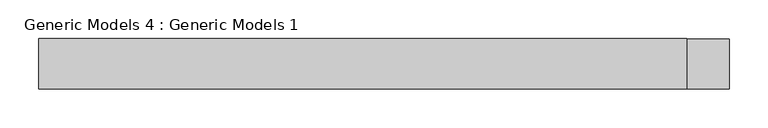
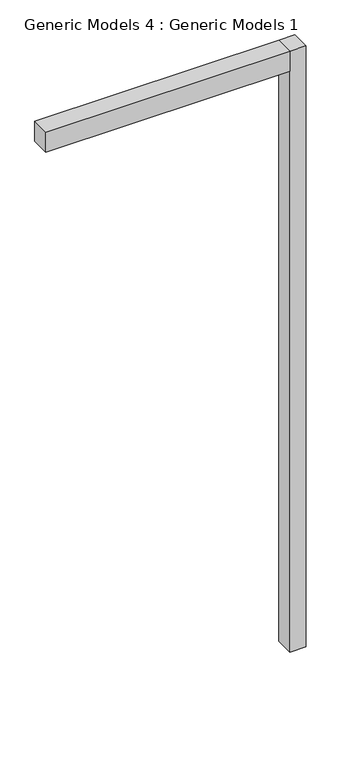
"""IFC4 building model written with IfcOpenShell, lengths in millimetres: proxy geometry, Generic Models 4 : Generic Models 1."""

from ifc_helpers import new_model, si_unit, frame, origin, place, context, project, spatial, polyline, outline, extrude, source, transform, mapped, element, save


def generic_models_4_generic_models_1_36f270b9(model_context):
    return source(origin(), model_context, "Body", "SweptSolid", [
        extrude(outline(polyline([(-52553.1602936, 51927.4705499), (-52553.1602936, 51992.8418357), (-51717.311546, 51992.8418357), (-51717.311546, 51927.4705499), (-52553.1602936, 51927.4705499)])), frame((0.0, 0.0, 109722.8904156), z_axis=(0.0, 0.0, 1.0), x_axis=(1.0, 0.0, 0.0)), (0.0, 0.0, 1.0), 72.5569887),
        extrude(outline(polyline([(-51717.311546, 51927.4705499), (-51717.311546, 51992.4705499), (-51662.3098223, 51992.4705499), (-51662.3098223, 51927.4705499), (-51717.311546, 51927.4705499)])), frame((0.0, 0.0, 107622.0522686), z_axis=(0.0, 0.0, 1.0), x_axis=(1.0, 0.0, 0.0)), (0.0, 0.0, 1.0), 2173.3951357),
    ])


if __name__ == "__main__":
    model = new_model("IFC4")
    model_context = context("Model", 3, world=origin())
    ifc_project = project(units=[si_unit("LENGTHUNIT", "METRE", prefix="MILLI")], contexts=[model_context])
    site = spatial("IfcSite", under=ifc_project)
    building = spatial("IfcBuilding", under=site)
    placement = place(None, origin())
    generic_models_4_generic_models_1_shape = generic_models_4_generic_models_1_36f270b9(model_context)
    element("IfcBuildingElementProxy", 1, Name="Generic Models 4 : Generic Models 1", ObjectType="Generic Models 4 : Generic Models 1", at=placement, inside=building, context=model_context, shape_type="MappedRepresentation", body=[
        mapped(generic_models_4_generic_models_1_shape, transform((0.0, 0.0, 0.0), x_axis=(1.0, 0.0, 0.0), y_axis=(0.0, 1.0, 0.0), z_axis=(0.0, 0.0, 1.0))),
    ])
    save(model, "model.ifc")
